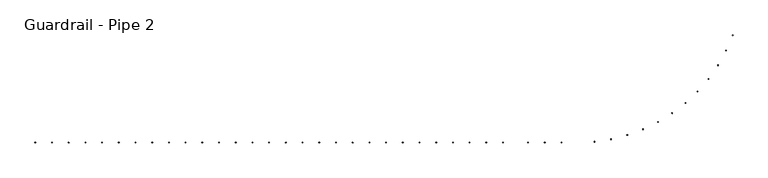
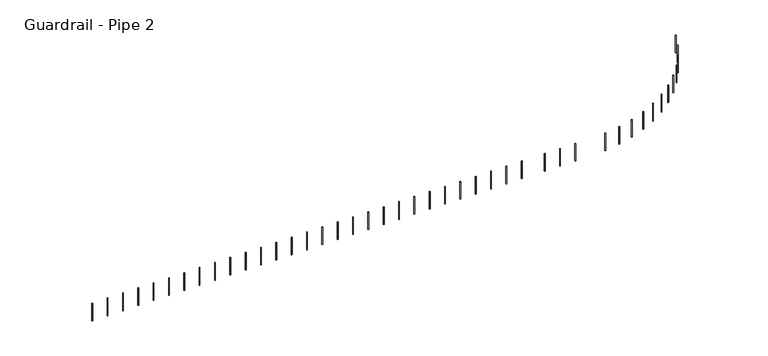
"""IFC4 building model written with IfcOpenShell, lengths in millimetres: railing geometry, Guardrail - Pipe 2."""

from ifc_helpers import new_model, si_unit, point, frame, frame_2d, origin, place, context, project, spatial, circle_curve, trimmed, segment, composite_curve, outline, extrude, source, transform, mapped, element, save


def guardrail_pipe_2_64ccf8a7(model_context):
    return source(origin(), model_context, "Body", "SweptSolid", [
        extrude(outline(composite_curve([segment(trimmed(circle_curve(frame_2d((630321.4254676, -290678.4080223)), 12.7), [point((630321.4254676, -290691.1080223))], [point((630321.4254676, -290665.7080223))], False, "CARTESIAN"), True, "CONTINUOUS"), segment(trimmed(circle_curve(frame_2d((630321.4254676, -290678.4080223)), 12.7), [point((630321.4254676, -290665.7080223))], [point((630321.4254676, -290691.1080223))], False, "CARTESIAN"), True, "CONTINUOUS")], self_intersect=False)), frame((0.0, 0.0, 4267.2), z_axis=(0.0, 0.0, 1.0), x_axis=(1.0, 0.0, 0.0)), (0.0, 0.0, 1.0), 723.9),
        extrude(outline(composite_curve([segment(trimmed(circle_curve(frame_2d((630931.0254676, -290678.4080223)), 12.7), [point((630931.0254676, -290691.1080223))], [point((630931.0254676, -290665.7080223))], False, "CARTESIAN"), True, "CONTINUOUS"), segment(trimmed(circle_curve(frame_2d((630931.0254676, -290678.4080223)), 12.7), [point((630931.0254676, -290665.7080223))], [point((630931.0254676, -290691.1080223))], False, "CARTESIAN"), True, "CONTINUOUS")], self_intersect=False)), frame((0.0, 0.0, 4267.2), z_axis=(0.0, 0.0, 1.0), x_axis=(1.0, 0.0, 0.0)), (0.0, 0.0, 1.0), 723.9),
        extrude(outline(composite_curve([segment(trimmed(circle_curve(frame_2d((631540.6254676, -290678.4080223)), 12.7), [point((631540.6254676, -290691.1080223))], [point((631540.6254676, -290665.7080223))], False, "CARTESIAN"), True, "CONTINUOUS"), segment(trimmed(circle_curve(frame_2d((631540.6254676, -290678.4080223)), 12.7), [point((631540.6254676, -290665.7080223))], [point((631540.6254676, -290691.1080223))], False, "CARTESIAN"), True, "CONTINUOUS")], self_intersect=False)), frame((0.0, 0.0, 4267.2), z_axis=(0.0, 0.0, 1.0), x_axis=(1.0, 0.0, 0.0)), (0.0, 0.0, 1.0), 723.9),
        extrude(outline(composite_curve([segment(trimmed(circle_curve(frame_2d((632150.2254676, -290678.4080223)), 12.7), [point((632150.2254676, -290691.1080223))], [point((632150.2254676, -290665.7080223))], False, "CARTESIAN"), True, "CONTINUOUS"), segment(trimmed(circle_curve(frame_2d((632150.2254676, -290678.4080223)), 12.7), [point((632150.2254676, -290665.7080223))], [point((632150.2254676, -290691.1080223))], False, "CARTESIAN"), True, "CONTINUOUS")], self_intersect=False)), frame((0.0, 0.0, 4267.2), z_axis=(0.0, 0.0, 1.0), x_axis=(1.0, 0.0, 0.0)), (0.0, 0.0, 1.0), 723.9),
        extrude(outline(composite_curve([segment(trimmed(circle_curve(frame_2d((632759.8254676, -290678.4080223)), 12.7), [point((632759.8254676, -290691.1080223))], [point((632759.8254676, -290665.7080223))], False, "CARTESIAN"), True, "CONTINUOUS"), segment(trimmed(circle_curve(frame_2d((632759.8254676, -290678.4080223)), 12.7), [point((632759.8254676, -290665.7080223))], [point((632759.8254676, -290691.1080223))], False, "CARTESIAN"), True, "CONTINUOUS")], self_intersect=False)), frame((0.0, 0.0, 4267.2), z_axis=(0.0, 0.0, 1.0), x_axis=(1.0, 0.0, 0.0)), (0.0, 0.0, 1.0), 723.9),
        extrude(outline(composite_curve([segment(trimmed(circle_curve(frame_2d((633369.4254676, -290678.4080223)), 12.7), [point((633369.4254676, -290691.1080223))], [point((633369.4254676, -290665.7080223))], False, "CARTESIAN"), True, "CONTINUOUS"), segment(trimmed(circle_curve(frame_2d((633369.4254676, -290678.4080223)), 12.7), [point((633369.4254676, -290665.7080223))], [point((633369.4254676, -290691.1080223))], False, "CARTESIAN"), True, "CONTINUOUS")], self_intersect=False)), frame((0.0, 0.0, 4267.2), z_axis=(0.0, 0.0, 1.0), x_axis=(1.0, 0.0, 0.0)), (0.0, 0.0, 1.0), 723.9),
        extrude(outline(composite_curve([segment(trimmed(circle_curve(frame_2d((633979.0254676, -290678.4080223)), 12.7), [point((633979.0254676, -290691.1080223))], [point((633979.0254676, -290665.7080223))], False, "CARTESIAN"), True, "CONTINUOUS"), segment(trimmed(circle_curve(frame_2d((633979.0254676, -290678.4080223)), 12.7), [point((633979.0254676, -290665.7080223))], [point((633979.0254676, -290691.1080223))], False, "CARTESIAN"), True, "CONTINUOUS")], self_intersect=False)), frame((0.0, 0.0, 4267.2), z_axis=(0.0, 0.0, 1.0), x_axis=(1.0, 0.0, 0.0)), (0.0, 0.0, 1.0), 723.9),
        extrude(outline(composite_curve([segment(trimmed(circle_curve(frame_2d((634588.6254676, -290678.4080223)), 12.7), [point((634588.6254676, -290691.1080223))], [point((634588.6254676, -290665.7080223))], False, "CARTESIAN"), True, "CONTINUOUS"), segment(trimmed(circle_curve(frame_2d((634588.6254676, -290678.4080223)), 12.7), [point((634588.6254676, -290665.7080223))], [point((634588.6254676, -290691.1080223))], False, "CARTESIAN"), True, "CONTINUOUS")], self_intersect=False)), frame((0.0, 0.0, 4267.2), z_axis=(0.0, 0.0, 1.0), x_axis=(1.0, 0.0, 0.0)), (0.0, 0.0, 1.0), 723.9),
        extrude(outline(composite_curve([segment(trimmed(circle_curve(frame_2d((635198.2254676, -290678.4080223)), 12.7), [point((635198.2254676, -290691.1080223))], [point((635198.2254676, -290665.7080223))], False, "CARTESIAN"), True, "CONTINUOUS"), segment(trimmed(circle_curve(frame_2d((635198.2254676, -290678.4080223)), 12.7), [point((635198.2254676, -290665.7080223))], [point((635198.2254676, -290691.1080223))], False, "CARTESIAN"), True, "CONTINUOUS")], self_intersect=False)), frame((0.0, 0.0, 4267.2), z_axis=(0.0, 0.0, 1.0), x_axis=(1.0, 0.0, 0.0)), (0.0, 0.0, 1.0), 723.9),
        extrude(outline(composite_curve([segment(trimmed(circle_curve(frame_2d((635807.8254676, -290678.4080223)), 12.7), [point((635807.8254676, -290691.1080223))], [point((635807.8254676, -290665.7080223))], False, "CARTESIAN"), True, "CONTINUOUS"), segment(trimmed(circle_curve(frame_2d((635807.8254676, -290678.4080223)), 12.7), [point((635807.8254676, -290665.7080223))], [point((635807.8254676, -290691.1080223))], False, "CARTESIAN"), True, "CONTINUOUS")], self_intersect=False)), frame((0.0, 0.0, 4267.2), z_axis=(0.0, 0.0, 1.0), x_axis=(1.0, 0.0, 0.0)), (0.0, 0.0, 1.0), 723.9),
        extrude(outline(composite_curve([segment(trimmed(circle_curve(frame_2d((636417.4254676, -290678.4080223)), 12.7), [point((636417.4254676, -290691.1080223))], [point((636417.4254676, -290665.7080223))], False, "CARTESIAN"), True, "CONTINUOUS"), segment(trimmed(circle_curve(frame_2d((636417.4254676, -290678.4080223)), 12.7), [point((636417.4254676, -290665.7080223))], [point((636417.4254676, -290691.1080223))], False, "CARTESIAN"), True, "CONTINUOUS")], self_intersect=False)), frame((0.0, 0.0, 4267.2), z_axis=(0.0, 0.0, 1.0), x_axis=(1.0, 0.0, 0.0)), (0.0, 0.0, 1.0), 723.9),
        extrude(outline(composite_curve([segment(trimmed(circle_curve(frame_2d((637027.0254676, -290678.4080223)), 12.7), [point((637027.0254676, -290691.1080223))], [point((637027.0254676, -290665.7080223))], False, "CARTESIAN"), True, "CONTINUOUS"), segment(trimmed(circle_curve(frame_2d((637027.0254676, -290678.4080223)), 12.7), [point((637027.0254676, -290665.7080223))], [point((637027.0254676, -290691.1080223))], False, "CARTESIAN"), True, "CONTINUOUS")], self_intersect=False)), frame((0.0, 0.0, 4267.2), z_axis=(0.0, 0.0, 1.0), x_axis=(1.0, 0.0, 0.0)), (0.0, 0.0, 1.0), 723.9),
        extrude(outline(composite_curve([segment(trimmed(circle_curve(frame_2d((637636.6254676, -290678.4080223)), 12.7), [point((637636.6254676, -290691.1080223))], [point((637636.6254676, -290665.7080223))], False, "CARTESIAN"), True, "CONTINUOUS"), segment(trimmed(circle_curve(frame_2d((637636.6254676, -290678.4080223)), 12.7), [point((637636.6254676, -290665.7080223))], [point((637636.6254676, -290691.1080223))], False, "CARTESIAN"), True, "CONTINUOUS")], self_intersect=False)), frame((0.0, 0.0, 4267.2), z_axis=(0.0, 0.0, 1.0), x_axis=(1.0, 0.0, 0.0)), (0.0, 0.0, 1.0), 723.9),
        extrude(outline(composite_curve([segment(trimmed(circle_curve(frame_2d((638246.2254676, -290678.4080223)), 12.7), [point((638246.2254676, -290691.1080223))], [point((638246.2254676, -290665.7080223))], False, "CARTESIAN"), True, "CONTINUOUS"), segment(trimmed(circle_curve(frame_2d((638246.2254676, -290678.4080223)), 12.7), [point((638246.2254676, -290665.7080223))], [point((638246.2254676, -290691.1080223))], False, "CARTESIAN"), True, "CONTINUOUS")], self_intersect=False)), frame((0.0, 0.0, 4267.2), z_axis=(0.0, 0.0, 1.0), x_axis=(1.0, 0.0, 0.0)), (0.0, 0.0, 1.0), 723.9),
        extrude(outline(composite_curve([segment(trimmed(circle_curve(frame_2d((638855.8254676, -290678.4080223)), 12.7), [point((638855.8254676, -290691.1080223))], [point((638855.8254676, -290665.7080223))], False, "CARTESIAN"), True, "CONTINUOUS"), segment(trimmed(circle_curve(frame_2d((638855.8254676, -290678.4080223)), 12.7), [point((638855.8254676, -290665.7080223))], [point((638855.8254676, -290691.1080223))], False, "CARTESIAN"), True, "CONTINUOUS")], self_intersect=False)), frame((0.0, 0.0, 4267.2), z_axis=(0.0, 0.0, 1.0), x_axis=(1.0, 0.0, 0.0)), (0.0, 0.0, 1.0), 723.9),
        extrude(outline(composite_curve([segment(trimmed(circle_curve(frame_2d((639465.4254676, -290678.4080223)), 12.7), [point((639465.4254676, -290691.1080223))], [point((639465.4254676, -290665.7080223))], False, "CARTESIAN"), True, "CONTINUOUS"), segment(trimmed(circle_curve(frame_2d((639465.4254676, -290678.4080223)), 12.7), [point((639465.4254676, -290665.7080223))], [point((639465.4254676, -290691.1080223))], False, "CARTESIAN"), True, "CONTINUOUS")], self_intersect=False)), frame((0.0, 0.0, 4267.2), z_axis=(0.0, 0.0, 1.0), x_axis=(1.0, 0.0, 0.0)), (0.0, 0.0, 1.0), 723.9),
        extrude(outline(composite_curve([segment(trimmed(circle_curve(frame_2d((640075.0254676, -290678.4080223)), 12.7), [point((640075.0254676, -290691.1080223))], [point((640075.0254676, -290665.7080223))], False, "CARTESIAN"), True, "CONTINUOUS"), segment(trimmed(circle_curve(frame_2d((640075.0254676, -290678.4080223)), 12.7), [point((640075.0254676, -290665.7080223))], [point((640075.0254676, -290691.1080223))], False, "CARTESIAN"), True, "CONTINUOUS")], self_intersect=False)), frame((0.0, 0.0, 4267.2), z_axis=(0.0, 0.0, 1.0), x_axis=(1.0, 0.0, 0.0)), (0.0, 0.0, 1.0), 723.9),
        extrude(outline(composite_curve([segment(trimmed(circle_curve(frame_2d((640684.6254676, -290678.4080223)), 12.7), [point((640684.6254676, -290691.1080223))], [point((640684.6254676, -290665.7080223))], False, "CARTESIAN"), True, "CONTINUOUS"), segment(trimmed(circle_curve(frame_2d((640684.6254676, -290678.4080223)), 12.7), [point((640684.6254676, -290665.7080223))], [point((640684.6254676, -290691.1080223))], False, "CARTESIAN"), True, "CONTINUOUS")], self_intersect=False)), frame((0.0, 0.0, 4267.2), z_axis=(0.0, 0.0, 1.0), x_axis=(1.0, 0.0, 0.0)), (0.0, 0.0, 1.0), 723.9),
        extrude(outline(composite_curve([segment(trimmed(circle_curve(frame_2d((641294.2254676, -290678.4080223)), 12.7), [point((641294.2254676, -290691.1080223))], [point((641294.2254676, -290665.7080223))], False, "CARTESIAN"), True, "CONTINUOUS"), segment(trimmed(circle_curve(frame_2d((641294.2254676, -290678.4080223)), 12.7), [point((641294.2254676, -290665.7080223))], [point((641294.2254676, -290691.1080223))], False, "CARTESIAN"), True, "CONTINUOUS")], self_intersect=False)), frame((0.0, 0.0, 4267.2), z_axis=(0.0, 0.0, 1.0), x_axis=(1.0, 0.0, 0.0)), (0.0, 0.0, 1.0), 723.9),
        extrude(outline(composite_curve([segment(trimmed(circle_curve(frame_2d((641903.8254676, -290678.4080223)), 12.7), [point((641903.8254676, -290691.1080223))], [point((641903.8254676, -290665.7080223))], False, "CARTESIAN"), True, "CONTINUOUS"), segment(trimmed(circle_curve(frame_2d((641903.8254676, -290678.4080223)), 12.7), [point((641903.8254676, -290665.7080223))], [point((641903.8254676, -290691.1080223))], False, "CARTESIAN"), True, "CONTINUOUS")], self_intersect=False)), frame((0.0, 0.0, 4267.2), z_axis=(0.0, 0.0, 1.0), x_axis=(1.0, 0.0, 0.0)), (0.0, 0.0, 1.0), 723.9),
        extrude(outline(composite_curve([segment(trimmed(circle_curve(frame_2d((642513.4254676, -290678.4080223)), 12.7), [point((642513.4254676, -290691.1080223))], [point((642513.4254676, -290665.7080223))], False, "CARTESIAN"), True, "CONTINUOUS"), segment(trimmed(circle_curve(frame_2d((642513.4254676, -290678.4080223)), 12.7), [point((642513.4254676, -290665.7080223))], [point((642513.4254676, -290691.1080223))], False, "CARTESIAN"), True, "CONTINUOUS")], self_intersect=False)), frame((0.0, 0.0, 4267.2), z_axis=(0.0, 0.0, 1.0), x_axis=(1.0, 0.0, 0.0)), (0.0, 0.0, 1.0), 723.9),
        extrude(outline(composite_curve([segment(trimmed(circle_curve(frame_2d((643123.0254676, -290678.4080223)), 12.7), [point((643123.0254676, -290691.1080223))], [point((643123.0254676, -290665.7080223))], False, "CARTESIAN"), True, "CONTINUOUS"), segment(trimmed(circle_curve(frame_2d((643123.0254676, -290678.4080223)), 12.7), [point((643123.0254676, -290665.7080223))], [point((643123.0254676, -290691.1080223))], False, "CARTESIAN"), True, "CONTINUOUS")], self_intersect=False)), frame((0.0, 0.0, 4267.2), z_axis=(0.0, 0.0, 1.0), x_axis=(1.0, 0.0, 0.0)), (0.0, 0.0, 1.0), 723.9),
        extrude(outline(composite_curve([segment(trimmed(circle_curve(frame_2d((643732.6254676, -290678.4080223)), 12.7), [point((643732.6254676, -290691.1080223))], [point((643732.6254676, -290665.7080223))], False, "CARTESIAN"), True, "CONTINUOUS"), segment(trimmed(circle_curve(frame_2d((643732.6254676, -290678.4080223)), 12.7), [point((643732.6254676, -290665.7080223))], [point((643732.6254676, -290691.1080223))], False, "CARTESIAN"), True, "CONTINUOUS")], self_intersect=False)), frame((0.0, 0.0, 4267.2), z_axis=(0.0, 0.0, 1.0), x_axis=(1.0, 0.0, 0.0)), (0.0, 0.0, 1.0), 723.9),
        extrude(outline(composite_curve([segment(trimmed(circle_curve(frame_2d((644342.2254676, -290678.4080223)), 12.7), [point((644342.2254676, -290691.1080223))], [point((644342.2254676, -290665.7080223))], False, "CARTESIAN"), True, "CONTINUOUS"), segment(trimmed(circle_curve(frame_2d((644342.2254676, -290678.4080223)), 12.7), [point((644342.2254676, -290665.7080223))], [point((644342.2254676, -290691.1080223))], False, "CARTESIAN"), True, "CONTINUOUS")], self_intersect=False)), frame((0.0, 0.0, 4267.2), z_axis=(0.0, 0.0, 1.0), x_axis=(1.0, 0.0, 0.0)), (0.0, 0.0, 1.0), 723.9),
        extrude(outline(composite_curve([segment(trimmed(circle_curve(frame_2d((644951.8254676, -290678.4080223)), 12.7), [point((644951.8254676, -290691.1080223))], [point((644951.8254676, -290665.7080223))], False, "CARTESIAN"), True, "CONTINUOUS"), segment(trimmed(circle_curve(frame_2d((644951.8254676, -290678.4080223)), 12.7), [point((644951.8254676, -290665.7080223))], [point((644951.8254676, -290691.1080223))], False, "CARTESIAN"), True, "CONTINUOUS")], self_intersect=False)), frame((0.0, 0.0, 4267.2), z_axis=(0.0, 0.0, 1.0), x_axis=(1.0, 0.0, 0.0)), (0.0, 0.0, 1.0), 723.9),
        extrude(outline(composite_curve([segment(trimmed(circle_curve(frame_2d((645561.4254676, -290678.4080223)), 12.7), [point((645561.4254676, -290691.1080223))], [point((645561.4254676, -290665.7080223))], False, "CARTESIAN"), True, "CONTINUOUS"), segment(trimmed(circle_curve(frame_2d((645561.4254676, -290678.4080223)), 12.7), [point((645561.4254676, -290665.7080223))], [point((645561.4254676, -290691.1080223))], False, "CARTESIAN"), True, "CONTINUOUS")], self_intersect=False)), frame((0.0, 0.0, 4267.2), z_axis=(0.0, 0.0, 1.0), x_axis=(1.0, 0.0, 0.0)), (0.0, 0.0, 1.0), 723.9),
        extrude(outline(composite_curve([segment(trimmed(circle_curve(frame_2d((646171.0254676, -290678.4080223)), 12.7), [point((646171.0254676, -290691.1080223))], [point((646171.0254676, -290665.7080223))], False, "CARTESIAN"), True, "CONTINUOUS"), segment(trimmed(circle_curve(frame_2d((646171.0254676, -290678.4080223)), 12.7), [point((646171.0254676, -290665.7080223))], [point((646171.0254676, -290691.1080223))], False, "CARTESIAN"), True, "CONTINUOUS")], self_intersect=False)), frame((0.0, 0.0, 4267.2), z_axis=(0.0, 0.0, 1.0), x_axis=(1.0, 0.0, 0.0)), (0.0, 0.0, 1.0), 723.9),
        extrude(outline(composite_curve([segment(trimmed(circle_curve(frame_2d((646780.6254676, -290678.4080223)), 12.7), [point((646780.6254676, -290691.1080223))], [point((646780.6254676, -290665.7080223))], False, "CARTESIAN"), True, "CONTINUOUS"), segment(trimmed(circle_curve(frame_2d((646780.6254676, -290678.4080223)), 12.7), [point((646780.6254676, -290665.7080223))], [point((646780.6254676, -290691.1080223))], False, "CARTESIAN"), True, "CONTINUOUS")], self_intersect=False)), frame((0.0, 0.0, 4267.2), z_axis=(0.0, 0.0, 1.0), x_axis=(1.0, 0.0, 0.0)), (0.0, 0.0, 1.0), 723.9),
        extrude(outline(composite_curve([segment(trimmed(circle_curve(frame_2d((647390.2254676, -290678.4080223)), 12.7), [point((647390.2254676, -290691.1080223))], [point((647390.2254676, -290665.7080223))], False, "CARTESIAN"), True, "CONTINUOUS"), segment(trimmed(circle_curve(frame_2d((647390.2254676, -290678.4080223)), 12.7), [point((647390.2254676, -290665.7080223))], [point((647390.2254676, -290691.1080223))], False, "CARTESIAN"), True, "CONTINUOUS")], self_intersect=False)), frame((0.0, 0.0, 4267.2), z_axis=(0.0, 0.0, 1.0), x_axis=(1.0, 0.0, 0.0)), (0.0, 0.0, 1.0), 723.9),
        extrude(outline(composite_curve([segment(trimmed(circle_curve(frame_2d((648304.6254676, -290678.4080223)), 12.7), [point((648304.6254676, -290691.1080223))], [point((648304.6254676, -290665.7080223))], False, "CARTESIAN"), True, "CONTINUOUS"), segment(trimmed(circle_curve(frame_2d((648304.6254676, -290678.4080223)), 12.7), [point((648304.6254676, -290665.7080223))], [point((648304.6254676, -290691.1080223))], False, "CARTESIAN"), True, "CONTINUOUS")], self_intersect=False)), frame((0.0, 0.0, 4267.2), z_axis=(0.0, 0.0, 1.0), x_axis=(1.0, 0.0, 0.0)), (0.0, 0.0, 1.0), 723.9),
        extrude(outline(composite_curve([segment(trimmed(circle_curve(frame_2d((648914.2254676, -290678.4080223)), 12.7), [point((648914.2254676, -290691.1080223))], [point((648914.2254676, -290665.7080223))], False, "CARTESIAN"), True, "CONTINUOUS"), segment(trimmed(circle_curve(frame_2d((648914.2254676, -290678.4080223)), 12.7), [point((648914.2254676, -290665.7080223))], [point((648914.2254676, -290691.1080223))], False, "CARTESIAN"), True, "CONTINUOUS")], self_intersect=False)), frame((0.0, 0.0, 4267.2), z_axis=(0.0, 0.0, 1.0), x_axis=(1.0, 0.0, 0.0)), (0.0, 0.0, 1.0), 723.9),
        extrude(outline(composite_curve([segment(trimmed(circle_curve(frame_2d((649523.8254676, -290678.4080223)), 12.7), [point((649523.8254676, -290691.1080223))], [point((649523.8254676, -290665.7080223))], False, "CARTESIAN"), True, "CONTINUOUS"), segment(trimmed(circle_curve(frame_2d((649523.8254676, -290678.4080223)), 12.7), [point((649523.8254676, -290665.7080223))], [point((649523.8254676, -290691.1080223))], False, "CARTESIAN"), True, "CONTINUOUS")], self_intersect=False)), frame((0.0, 0.0, 4267.2), z_axis=(0.0, 0.0, 1.0), x_axis=(1.0, 0.0, 0.0)), (0.0, 0.0, 1.0), 723.9),
        extrude(outline(composite_curve([segment(trimmed(circle_curve(frame_2d((650732.344994, -290648.5401957)), 12.7), [point((650733.6085373, -290661.1771834))], [point((650731.0814507, -290635.9032079))], False, "CARTESIAN"), True, "CONTINUOUS"), segment(trimmed(circle_curve(frame_2d((650732.344994, -290648.5401957)), 12.7), [point((650731.0814507, -290635.9032079))], [point((650733.6085373, -290661.1771834))], False, "CARTESIAN"), True, "CONTINUOUS")], self_intersect=False)), frame((0.0, 0.0, 4267.2), z_axis=(0.0, 0.0, 1.0), x_axis=(1.0, 0.0, 0.0)), (0.0, 0.0, 1.0), 723.9),
        extrude(outline(composite_curve([segment(trimmed(circle_curve(frame_2d((651334.8159538, -290557.3072806)), 12.7), [point((651337.3505329, -290569.7517938))], [point((651332.2813747, -290544.8627674))], False, "CARTESIAN"), True, "CONTINUOUS"), segment(trimmed(circle_curve(frame_2d((651334.8159538, -290557.3072806)), 12.7), [point((651332.2813747, -290544.8627674))], [point((651337.3505329, -290569.7517938))], False, "CARTESIAN"), True, "CONTINUOUS")], self_intersect=False)), frame((0.0, 0.0, 4267.2), z_axis=(0.0, 0.0, 1.0), x_axis=(1.0, 0.0, 0.0)), (0.0, 0.0, 1.0), 723.9),
        extrude(outline(composite_curve([segment(trimmed(circle_curve(frame_2d((651924.9774589, -290405.6362546)), 12.7), [point((651928.7571044, -290417.7607868))], [point((651921.1978133, -290393.5117225))], False, "CARTESIAN"), True, "CONTINUOUS"), segment(trimmed(circle_curve(frame_2d((651924.9774589, -290405.6362546)), 12.7), [point((651921.1978133, -290393.5117225))], [point((651928.7571044, -290417.7607868))], False, "CARTESIAN"), True, "CONTINUOUS")], self_intersect=False)), frame((0.0, 0.0, 4267.2), z_axis=(0.0, 0.0, 1.0), x_axis=(1.0, 0.0, 0.0)), (0.0, 0.0, 1.0), 723.9),
        extrude(outline(composite_curve([segment(trimmed(circle_curve(frame_2d((652496.7827106, -290195.08114)), 12.7), [point((652501.7686963, -290206.761463))], [point((652491.7967248, -290183.4008169))], False, "CARTESIAN"), True, "CONTINUOUS"), segment(trimmed(circle_curve(frame_2d((652496.7827106, -290195.08114)), 12.7), [point((652491.7967248, -290183.4008169))], [point((652501.7686963, -290206.761463))], False, "CARTESIAN"), True, "CONTINUOUS")], self_intersect=False)), frame((0.0, 0.0, 4267.2), z_axis=(0.0, 0.0, 1.0), x_axis=(1.0, 0.0, 0.0)), (0.0, 0.0, 1.0), 723.9),
        extrude(outline(composite_curve([segment(trimmed(circle_curve(frame_2d((653044.3729886, -289927.7992857)), 12.7), [point((653050.5142281, -289938.915723))], [point((653038.2317491, -289916.6828484))], False, "CARTESIAN"), True, "CONTINUOUS"), segment(trimmed(circle_curve(frame_2d((653044.3729886, -289927.7992857)), 12.7), [point((653038.2317491, -289916.6828484))], [point((653050.5142281, -289938.915723))], False, "CARTESIAN"), True, "CONTINUOUS")], self_intersect=False)), frame((0.0, 0.0, 4267.2), z_axis=(0.0, 0.0, 1.0), x_axis=(1.0, 0.0, 0.0)), (0.0, 0.0, 1.0), 723.9),
        extrude(outline(composite_curve([segment(trimmed(circle_curve(frame_2d((653562.1376794, -289606.5292635)), 12.7), [point((653569.3712495, -289616.9679159))], [point((653554.9041093, -289596.0906111))], False, "CARTESIAN"), True, "CONTINUOUS"), segment(trimmed(circle_curve(frame_2d((653562.1376794, -289606.5292635)), 12.7), [point((653554.9041093, -289596.0906111))], [point((653569.3712495, -289616.9679159))], False, "CARTESIAN"), True, "CONTINUOUS")], self_intersect=False)), frame((0.0, 0.0, 4267.2), z_axis=(0.0, 0.0, 1.0), x_axis=(1.0, 0.0, 0.0)), (0.0, 0.0, 1.0), 723.9),
        extrude(outline(composite_curve([segment(trimmed(circle_curve(frame_2d((654044.7717626, -289234.5628081)), 12.7), [point((654053.023548, -289244.2167211))], [point((654036.5199771, -289224.908895))], False, "CARTESIAN"), True, "CONTINUOUS"), segment(trimmed(circle_curve(frame_2d((654044.7717626, -289234.5628081)), 12.7), [point((654036.5199771, -289224.908895))], [point((654053.023548, -289244.2167211))], False, "CARTESIAN"), True, "CONTINUOUS")], self_intersect=False)), frame((0.0, 0.0, 4267.2), z_axis=(0.0, 0.0, 1.0), x_axis=(1.0, 0.0, 0.0)), (0.0, 0.0, 1.0), 723.9),
        extrude(outline(composite_curve([segment(trimmed(circle_curve(frame_2d((654487.3301661, -288815.7110901)), 12.7), [point((654496.5156191, -288824.4813498))], [point((654478.1447132, -288806.9408305))], False, "CARTESIAN"), True, "CONTINUOUS"), segment(trimmed(circle_curve(frame_2d((654487.3301661, -288815.7110901)), 12.7), [point((654478.1447132, -288806.9408305))], [point((654496.5156191, -288824.4813498))], False, "CARTESIAN"), True, "CONTINUOUS")], self_intersect=False)), frame((0.0, 0.0, 4267.2), z_axis=(0.0, 0.0, 1.0), x_axis=(1.0, 0.0, 0.0)), (0.0, 0.0, 1.0), 723.9),
        extrude(outline(composite_curve([segment(trimmed(circle_curve(frame_2d((654885.2784338, -288354.2656671)), 12.7), [point((654895.3034401, -288362.0624132))], [point((654875.2534276, -288346.468921))], False, "CARTESIAN"), True, "CONTINUOUS"), segment(trimmed(circle_curve(frame_2d((654885.2784338, -288354.2656671)), 12.7), [point((654875.2534276, -288346.468921))], [point((654895.3034401, -288362.0624132))], False, "CARTESIAN"), True, "CONTINUOUS")], self_intersect=False)), frame((0.0, 0.0, 4267.2), z_axis=(0.0, 0.0, 1.0), x_axis=(1.0, 0.0, 0.0)), (0.0, 0.0, 1.0), 723.9),
        extrude(outline(composite_curve([segment(trimmed(circle_curve(frame_2d((655234.5391851, -287854.9545118)), 12.7), [point((655245.3010284, -287861.6978589))], [point((655223.7773419, -287848.2111648))], False, "CARTESIAN"), True, "CONTINUOUS"), segment(trimmed(circle_curve(frame_2d((655234.5391851, -287854.9545118)), 12.7), [point((655223.7773419, -287848.2111648))], [point((655245.3010284, -287861.6978589))], False, "CARTESIAN"), True, "CONTINUOUS")], self_intersect=False)), frame((0.0, 0.0, 4267.2), z_axis=(0.0, 0.0, 1.0), x_axis=(1.0, 0.0, 0.0)), (0.0, 0.0, 1.0), 723.9),
        extrude(outline(composite_curve([segment(trimmed(circle_curve(frame_2d((655531.5338921, -287322.8935696)), 12.7), [point((655542.9223065, -287328.5144252))], [point((655520.1454777, -287317.272714))], False, "CARTESIAN"), True, "CONTINUOUS"), segment(trimmed(circle_curve(frame_2d((655531.5338921, -287322.8935696)), 12.7), [point((655520.1454777, -287317.272714))], [point((655542.9223065, -287328.5144252))], False, "CARTESIAN"), True, "CONTINUOUS")], self_intersect=False)), frame((0.0, 0.0, 4267.2), z_axis=(0.0, 0.0, 1.0), x_axis=(1.0, 0.0, 0.0)), (0.0, 0.0, 1.0), 723.9),
        extrude(outline(composite_curve([segment(trimmed(circle_curve(frame_2d((655773.219545, -286763.5343404)), 12.7), [point((655785.1178448, -286767.9751132))], [point((655761.3212453, -286759.0935675))], False, "CARTESIAN"), True, "CONTINUOUS"), segment(trimmed(circle_curve(frame_2d((655773.219545, -286763.5343404)), 12.7), [point((655761.3212453, -286759.0935675))], [point((655785.1178448, -286767.9751132))], False, "CARTESIAN"), True, "CONTINUOUS")], self_intersect=False)), frame((0.0, 0.0, 4267.2), z_axis=(0.0, 0.0, 1.0), x_axis=(1.0, 0.0, 0.0)), (0.0, 0.0, 1.0), 723.9),
    ])


if __name__ == "__main__":
    model = new_model("IFC4")
    model_context = context("Model", 3, world=origin())
    ifc_project = project(units=[si_unit("LENGTHUNIT", "METRE", prefix="MILLI")], contexts=[model_context])
    site = spatial("IfcSite", under=ifc_project)
    building = spatial("IfcBuilding", under=site)
    placement = place(None, origin())
    guardrail_pipe_2_shape = guardrail_pipe_2_64ccf8a7(model_context)
    element("IfcRailing", 1, ObjectType="Guardrail - Pipe 2", at=placement, inside=building, context=model_context, shape_type="MappedRepresentation", body=[
        mapped(guardrail_pipe_2_shape, transform((0.0, 0.0, 0.0), x_axis=(1.0, 0.0, 0.0), y_axis=(0.0, 1.0, 0.0), z_axis=(0.0, 0.0, 1.0))),
    ])
    save(model, "model.ifc")
